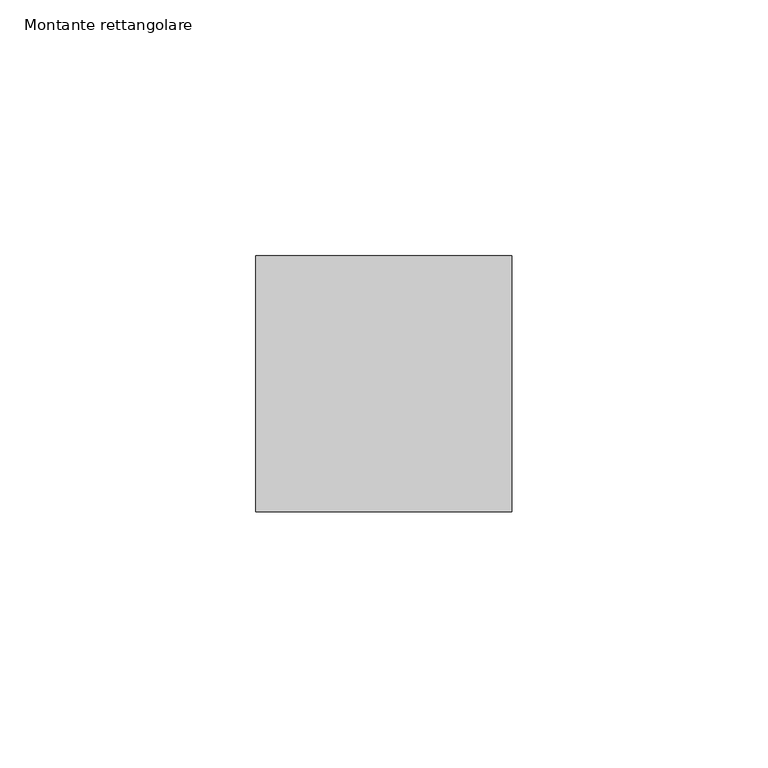
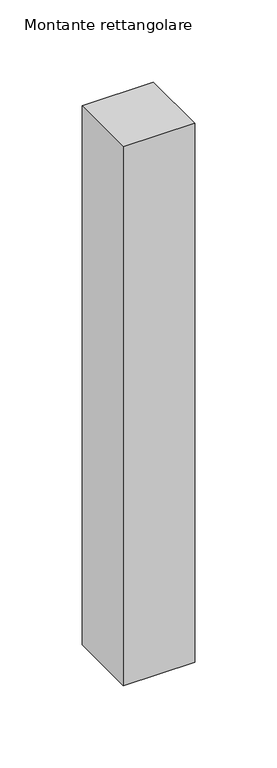
"""IFC4 building model written with IfcOpenShell, lengths in millimetres: member geometry, Montante rettangolare."""

from ifc_helpers import new_model, si_unit, frame, origin, place, context, project, spatial, polyline, outline, extrude, source, transform, mapped, element, save


def montante_rettangolare_0f4eb3cd(model_context):
    return source(origin(), model_context, "Body", "SweptSolid", [
        extrude(outline(polyline([(0.0, 25.0), (0.0, -25.0), (-50.0, -25.0), (-50.0, 25.0), (0.0, 25.0)])), frame((0.0, 0.0, -400.0), z_axis=(0.0, 0.0, 1.0), x_axis=(1.0, 0.0, 0.0)), (0.0, 0.0, 1.0), 400.0),
    ])


if __name__ == "__main__":
    model = new_model("IFC4")
    model_context = context("Model", 3, world=origin())
    ifc_project = project(units=[si_unit("LENGTHUNIT", "METRE", prefix="MILLI")], contexts=[model_context])
    site = spatial("IfcSite", under=ifc_project)
    building = spatial("IfcBuilding", under=site)
    placement = place(None, origin())
    montante_rettangolare_shape = montante_rettangolare_0f4eb3cd(model_context)
    element("IfcMember", 1, ObjectType="Montante rettangolare", at=placement, inside=building, context=model_context, shape_type="MappedRepresentation", body=[
        mapped(montante_rettangolare_shape, transform((0.0, 0.0, 0.0), x_axis=(1.0, 0.0, 0.0), y_axis=(0.0, 1.0, 0.0), z_axis=(0.0, 0.0, 1.0))),
    ])
    save(model, "model.ifc")
